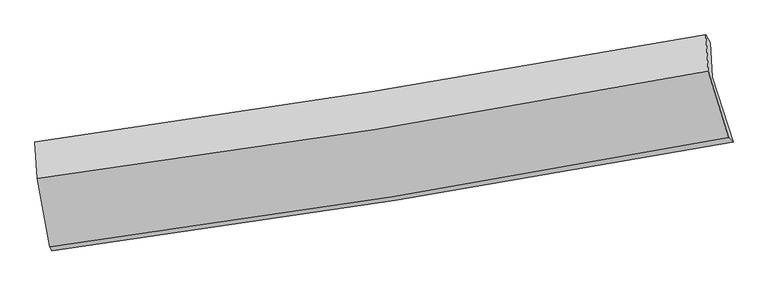
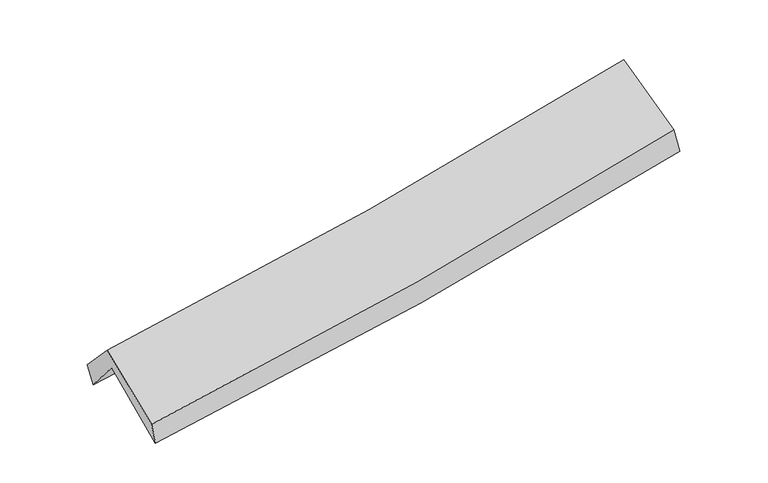
"""IFC4 building model written with IfcOpenShell, lengths in millimetres: proxy geometry."""

from ifc_helpers import new_model, si_unit, frame, origin, place, context, project, spatial, source, transform, mapped, element, save
from ifc_brep_helpers import plane_surface, spline_curve, spline_surface, advanced_brep


def generic_models_9a2e7ac7(model_context):
    return source(origin(), model_context, "Body", "AdvancedBrep", [
        advanced_brep(
        [(-2463.1964536, -2486.1654858, 1485.7803902), (-2559.1266276, -1985.228261, 1920.547103), (2482.885857, -1183.9792532, 2361.1530018), (2638.0939011, -1670.089222, 1928.3496596), (-2572.7211167, -1725.5862659, 1606.620812), (2468.8651571, -923.0190204, 2050.9646235), (-2591.0140245, -1669.0105623, 1767.0572602), (2433.6546388, -865.808756, 2234.5517232), (-2574.1963013, -1942.3613388, 2060.1595283), (2452.2734433, -1138.1990533, 2527.1367674), (-2478.0957241, -2455.0082398, 1646.1588297), (2606.4766225, -1636.7388463, 2122.2030301)],
        [
            (0, 1),
            (1, 2, spline_curve(3, [(-2559.1266276, -1985.228261, 1920.547103), (-1710.801966004, -1872.51706694, 1970.495016677), (-865.086648063, -1749.133920114, 2032.347303547), (815.549782894, -1481.910235239, 2179.372864506), (1650.50529278, -1338.210379836, 2264.389210774), (2482.885857, -1183.9792532, 2361.1530018)], [4, 2, 4], [0.0, 8.485750432796378, 16.915384004580915])),
            (2, 3),
            (3, 0, spline_curve(3, [(2638.0939011, -1670.089222, 1928.3496596), (1796.747992789, -1826.635084429, 1827.855970393), (952.387837961, -1972.723567568, 1740.805957566), (-748.002014192, -2244.888683805, 1593.103280552), (-1604.071977994, -2370.825622077, 1532.630203348), (-2463.1964536, -2486.1654858, 1485.7803902)], [4, 2, 4], [0.0, 8.429633571784537, 16.915384004580915])),
            (1, 4),
            (4, 5, spline_curve(3, [(-2572.7211167, -1725.5862659, 1606.620812), (-1722.836201168, -1620.274083044, 1654.341686545), (-876.379097945, -1500.467585018, 1715.397710825), (804.104473289, -1232.754099849, 1863.688103743), (1638.176127672, -1085.038182606, 1950.746683538), (2468.8651571, -923.0190204, 2050.9646235)], [4, 2, 4], [0.0, 8.436117479914303, 16.816446325004957])),
            (5, 2),
            (4, 6),
            (6, 7, spline_curve(3, [(-2591.0140245, -1669.0105623, 1767.0572602), (-1745.947023119, -1552.728462434, 1821.644387144), (-903.310055431, -1427.401970855, 1888.064190512), (771.547465421, -1159.548808591, 2044.051661565), (1603.80005217, -1017.141364729, 2133.463345717), (2433.6546388, -865.808756, 2234.5517232)], [4, 2, 4], [0.0, 8.424129059505306, 16.792548764449464])),
            (7, 5),
            (6, 8),
            (8, 9, spline_curve(3, [(-2574.1963013, -1942.3613388, 2060.1595283), (-1728.385273463, -1832.425820656, 2121.627438664), (-885.226438918, -1710.181520774, 2191.432832093), (790.228513726, -1441.965165965, 2347.201819803), (1622.559593975, -1296.155370963, 2433.055506258), (2452.2734433, -1138.1990533, 2527.1367674)], [4, 2, 4], [0.0, 8.413184515268727, 16.770732053012683])),
            (9, 7),
            (8, 10),
            (10, 11, spline_curve(3, [(-2478.0957241, -2455.0082398, 1646.1588297), (-1621.578203977, -2344.116031194, 1707.9679727), (-768.209820137, -2220.211567474, 1778.704017721), (926.606115797, -1947.28357016, 1937.503096036), (1768.095180715, -1798.431569357, 2025.448450966), (2606.4766225, -1636.7388463, 2122.2030301)], [4, 2, 4], [0.0, 8.464401019343402, 16.87282636283907])),
            (11, 9),
            (10, 0),
            (3, 11),
        ],
        [
            spline_surface(3, 3, [[(-2463.1964536, -2486.1654858, 1485.7803902), (-1604.071977956, -2370.825621981, 1532.630203469), (-748.002014331, -2244.888683799, 1593.103280449), (952.387838098, -1972.723567574, 1740.805957668), (1796.747992674, -1826.635084507, 1827.855970469), (2638.0939011, -1670.089222, 1928.3496596)], [(-2495.173178273, -2319.186410862, 1630.702627794), (-1639.648640679, -2204.72277034, 1678.585141213), (-787.030225556, -2079.637095873, 1739.517954742), (906.775152986, -1809.119123513, 1886.994926633), (1748.000426045, -1663.826849621, 1973.367050597), (2586.357886372, -1508.052565737, 2072.617440329)], [(-2527.149902927, -2152.207335938, 1775.624865406), (-1675.225303384, -2038.619918712, 1824.540078975), (-826.058436743, -1914.385507917, 1885.932629116), (861.162467912, -1645.514679421, 2033.183895679), (1699.2528595, -1501.018614725, 2118.878130739), (2534.621871728, -1346.015909463, 2216.885221071)], [(-2559.1266276, -1985.228261, 1920.547103), (-1710.801966107, -1872.517067071, 1970.495016719), (-865.086647968, -1749.133919992, 2032.347303409), (815.5497828, -1481.91023536, 2179.372864644), (1650.505292872, -1338.210379839, 2264.389210867), (2482.885857, -1183.9792532, 2361.1530018)]], [4, 4], [4, 2, 4], [0.0, 2.2059538950855413], [0.0, 8.485750432796378, 16.915384004580915]),
            spline_surface(3, 3, [[(-2559.1266276, -1985.228261, 1920.547103), (-1710.801966107, -1872.517067071, 1970.495016719), (-865.086647968, -1749.133919992, 2032.347303409), (815.5497828, -1481.91023536, 2179.372864644), (1650.505292872, -1338.210379839, 2264.389210867), (2482.885857, -1183.9792532, 2361.1530018)], [(-2563.658123965, -1898.680929302, 1815.90500601), (-1714.813377828, -1788.436072353, 1865.110573342), (-868.850797929, -1666.245141648, 1926.697439174), (811.734679629, -1398.85819019, 2074.144611057), (1646.395571193, -1253.819647445, 2159.841701761), (2478.212290393, -1096.992508951, 2257.756875677)], [(-2568.189620335, -1812.133597598, 1711.26290899), (-1718.824789555, -1704.355077631, 1759.726129934), (-872.614947936, -1583.356363332, 1821.047574928), (807.919576412, -1315.806145048, 1968.91635746), (1642.285849436, -1169.428914997, 2055.294192723), (2473.538723707, -1010.005764649, 2154.360749623)], [(-2572.7211167, -1725.5862659, 1606.620812), (-1722.836201276, -1620.274082914, 1654.341686557), (-876.379097897, -1500.467584989, 1715.397710693), (804.104473241, -1232.754099878, 1863.688103874), (1638.176127758, -1085.038182603, 1950.746683617), (2468.8651571, -923.0190204, 2050.9646235)]], [4, 4], [4, 2, 4], [0.0, 1.3211012976010386], [0.0, 8.436117479914303, 16.816446325004957]),
            spline_surface(3, 3, [[(-2572.7211167, -1725.5862659, 1606.620812), (-1722.836201276, -1620.274082914, 1654.341686557), (-876.379097897, -1500.467584989, 1715.397710693), (804.104473241, -1232.754099878, 1863.688103874), (1638.176127758, -1085.038182603, 1950.746683617), (2468.8651571, -923.0190204, 2050.9646235)], [(-2578.818752644, -1706.727698046, 1660.099628051), (-1730.539808546, -1597.758876091, 1710.109253406), (-885.356083732, -1476.112380301, 1772.953204004), (793.252137282, -1208.352336124, 1923.809289739), (1626.717435867, -1062.405909947, 2011.652237645), (2457.128317666, -903.948932242, 2112.160323425)], [(-2584.916388556, -1687.869130154, 1713.578444149), (-1738.243415786, -1575.243669229, 1765.876820303), (-894.333069553, -1451.757175566, 1830.508697306), (782.399801338, -1183.950572324, 1983.930475596), (1615.25874398, -1039.773637363, 2072.557791599), (2445.391478234, -884.878844158, 2173.356023275)], [(-2591.0140245, -1669.0105623, 1767.0572602), (-1745.947023056, -1552.728462406, 1821.644387152), (-903.310055388, -1427.401970877, 1888.064190617), (771.547465379, -1159.54880857, 2044.051661461), (1603.800052089, -1017.141364707, 2133.463345627), (2433.6546388, -865.808756, 2234.5517232)]], [4, 4], [4, 2, 4], [0.0, 0.6343214709418856], [0.0, 8.424129059505306, 16.792548764449464]),
            spline_surface(3, 3, [[(-2591.0140245, -1669.0105623, 1767.0572602), (-1745.947023056, -1552.728462406, 1821.644387152), (-903.310055388, -1427.401970877, 1888.064190617), (771.547465379, -1159.54880857, 2044.051661461), (1603.800052089, -1017.141364707, 2133.463345627), (2433.6546388, -865.808756, 2234.5517232)], [(-2585.408116744, -1760.12748779, 1864.758016251), (-1740.093106457, -1645.960915126, 1921.638737713), (-897.28218322, -1521.661820785, 1989.187071112), (777.774481482, -1253.687594403, 2145.101714274), (1610.053232757, -1110.146033451, 2233.327399179), (2439.860906961, -956.605521786, 2332.080071271)], [(-2579.802209056, -1851.24441331, 1962.458772249), (-1734.239189927, -1739.193367875, 2021.633088223), (-891.25431105, -1615.921670727, 2090.309951554), (784.001497587, -1347.82638027, 2246.151767034), (1616.306413442, -1203.150702136, 2333.19145272), (2446.067175139, -1047.402287514, 2429.608419329)], [(-2574.1963013, -1942.3613388, 2060.1595283), (-1728.385273328, -1832.425820595, 2121.627438785), (-885.226438882, -1710.181520635, 2191.432832049), (790.22851369, -1441.965166104, 2347.201819847), (1622.55959411, -1296.15537088, 2433.055506273), (2452.2734433, -1138.1990533, 2527.1367674)]], [4, 4], [4, 2, 4], [0.0, 1.361318066357044], [0.0, 8.413184515268727, 16.770732053012683]),
            spline_surface(3, 3, [[(-2574.1963013, -1942.3613388, 2060.1595283), (-1728.385273328, -1832.425820595, 2121.627438785), (-885.226438882, -1710.181520635, 2191.432832049), (790.22851369, -1441.965166104, 2347.201819847), (1622.55959411, -1296.15537088, 2433.055506273), (2452.2734433, -1138.1990533, 2527.1367674)], [(-2542.162775558, -2113.243639136, 1922.159295427), (-1692.782916843, -2002.989224101, 1983.740950058), (-846.220899254, -1880.19153625, 2053.856560623), (835.687714344, -1610.404634111, 2210.635578549), (1671.071456285, -1463.580770328, 2297.186487814), (2503.674503027, -1304.378984283, 2392.158854944)], [(-2510.129249842, -2284.125939464, 1784.159062573), (-1657.180560381, -2173.552627599, 1845.854461352), (-807.215359623, -2050.201551879, 1916.280289214), (881.146915003, -1778.844102133, 2074.069337268), (1719.58331848, -1631.006169826, 2161.317469422), (2555.075562773, -1470.558915317, 2257.180942556)], [(-2478.0957241, -2455.0082398, 1646.1588297), (-1621.578203895, -2344.116031106, 1707.967972626), (-768.209819996, -2220.211567494, 1778.704017788), (926.606115658, -1947.28357014, 1937.50309597), (1768.095180655, -1798.431569274, 2025.448450963), (2606.4766225, -1636.7388463, 2122.2030301)]], [4, 4], [4, 2, 4], [0.0, 2.183397999739463], [0.0, 8.464401019343402, 16.87282636283907]),
            spline_surface(3, 3, [[(-2478.0957241, -2455.0082398, 1646.1588297), (-1621.578203895, -2344.116031106, 1707.967972626), (-768.209819996, -2220.211567494, 1778.704017788), (926.606115658, -1947.28357014, 1937.50309597), (1768.095180655, -1798.431569274, 2025.448450963), (2606.4766225, -1636.7388463, 2122.2030301)], [(-2473.129300617, -2465.393988464, 1592.699349868), (-1615.742795265, -2353.019228061, 1649.522049574), (-761.473884771, -2228.437272928, 1716.83710535), (935.200023142, -1955.763569284, 1871.937383211), (1777.64611801, -1807.832741019, 1959.58429082), (2617.015715382, -1647.8556382, 2057.585239955)], [(-2468.162877083, -2475.779737136, 1539.239870032), (-1609.907386586, -2361.922425026, 1591.07612652), (-754.737949556, -2236.662978365, 1654.970192887), (943.793930614, -1964.24356843, 1806.371670427), (1787.197055319, -1817.233912762, 1893.720130612), (2627.554808218, -1658.9724301, 1992.967449745)], [(-2463.1964536, -2486.1654858, 1485.7803902), (-1604.071977956, -2370.825621981, 1532.630203469), (-748.002014331, -2244.888683799, 1593.103280449), (952.387838098, -1972.723567574, 1740.805957668), (1796.747992674, -1826.635084507, 1827.855970469), (2638.0939011, -1670.089222, 1928.3496596)]], [4, 4], [4, 2, 4], [0.0, 0.6368506871172975], [0.0, 8.524888234572293, 16.993400787112733]),
            plane_surface(frame((2513.70827, -1236.3056919, 2204.0598009), z_axis=(0.9719414849193422, 0.19979071807051443, 0.12415079083780521), x_axis=(0.23345585147424416, -0.7547641525682395, -0.6130492960687445))),
            plane_surface(frame((-2539.7250413, -2043.8933589, 1747.7206539), z_axis=(-0.9890464550059784, -0.1318971229669237, -0.06625902801245606), x_axis=(-0.09081881486560274, 0.1899196450476855, 0.9775901346123377))),
        ],
        [
            (0, [[1, 2, 3, 4]]),
            (1, [[5, 6, 7, -2]]),
            (2, [[8, 9, 10, -6]]),
            (3, [[11, 12, 13, -9]]),
            (4, [[14, 15, 16, -12]]),
            (5, [[17, -4, 18, -15]]),
            (6, [[-16, -18, -3, -7, -10, -13]]),
            (7, [[-17, -14, -11, -8, -5, -1]]),
        ],
    ),
    ])


if __name__ == "__main__":
    model = new_model("IFC4")
    model_context = context("Model", 3, world=origin())
    ifc_project = project(units=[si_unit("LENGTHUNIT", "METRE", prefix="MILLI")], contexts=[model_context])
    site = spatial("IfcSite", under=ifc_project)
    building = spatial("IfcBuilding", under=site)
    placement = place(None, origin())
    generic_models_shape = generic_models_9a2e7ac7(model_context)
    element("IfcBuildingElementProxy", 1, Name="Generic Models", at=placement, inside=building, context=model_context, shape_type="MappedRepresentation", body=[
        mapped(generic_models_shape, transform((0.0, 0.0, 0.0), x_axis=(1.0, 0.0, 0.0), y_axis=(0.0, 1.0, 0.0), z_axis=(0.0, 0.0, 1.0))),
    ])
    save(model, "model.ifc")
